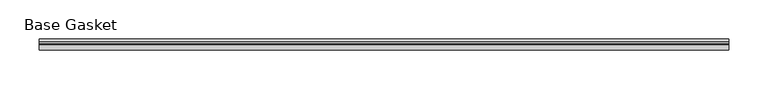
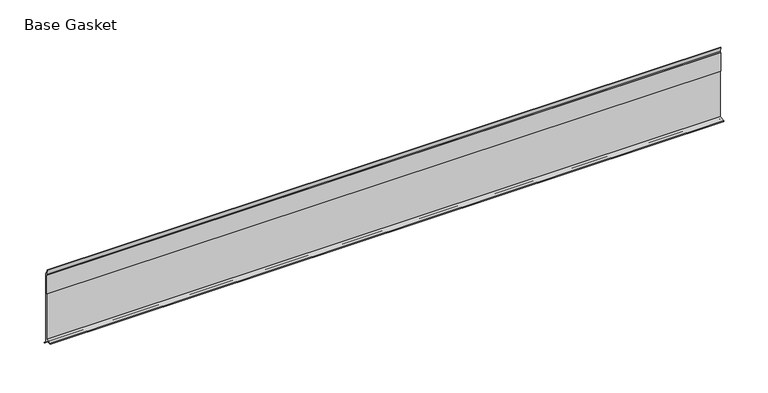
"""IFC4 building model written with IfcOpenShell, lengths in millimetres: furniture geometry, Base Gasket."""

from ifc_helpers import new_model, si_unit, frame, origin, place, context, project, spatial, polyline, outline, extrude, source, transform, mapped, element, save


def base_gasket_d4ce0e80(model_context):
    return source(origin(), model_context, "Body", "SweptSolid", [
        extrude(outline(polyline([(3.7283812, 98.4568417), (3.7283812, 4.3498477), (7.4222115, 0.6560174), (7.8482342, 0.0), (6.8281054, 0.3520979), (2.2043812, 4.3498477), (2.1334222, 6.3818476), (-6.2405171, 6.3818476), (-6.2405171, 7.9398773), (2.2043812, 7.9398773), (2.2043812, 71.4693447), (1.4106313, 71.4693447), (1.4106313, 96.8693477), (2.2043812, 96.8693477), (2.2043812, 98.4568417), (0.6755308, 104.4162708), (0.6755308, 105.2002997), (1.1891543, 104.587663), (3.7283812, 98.4568417)])), frame((-1527.8982117, 0.0, 0.0), z_axis=(1.0, 0.0, 0.0), x_axis=(0.0, 1.0, 0.0)), (0.0, 0.0, 1.0), 882.0071795),
    ])


if __name__ == "__main__":
    model = new_model("IFC4")
    model_context = context("Model", 3, world=origin())
    ifc_project = project(units=[si_unit("LENGTHUNIT", "METRE", prefix="MILLI")], contexts=[model_context])
    site = spatial("IfcSite", under=ifc_project)
    building = spatial("IfcBuilding", under=site)
    placement = place(None, origin())
    base_gasket_shape = base_gasket_d4ce0e80(model_context)
    element("IfcFurniture", 1, ObjectType="Base Gasket", at=placement, inside=building, context=model_context, shape_type="MappedRepresentation", body=[
        mapped(base_gasket_shape, transform((0.0, 0.0, 0.0), x_axis=(1.0, 0.0, 0.0), y_axis=(0.0, 1.0, 0.0), z_axis=(0.0, 0.0, 1.0))),
    ])
    save(model, "model.ifc")
